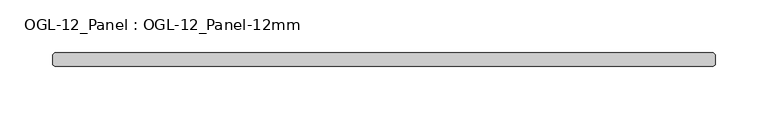
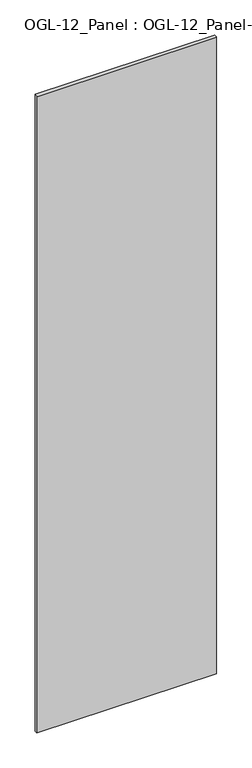
"""IFC4 building model written with IfcOpenShell, lengths in millimetres: plate geometry, OGL-12_Panel : OGL-12_Panel-12mm."""

from ifc_helpers import new_model, si_unit, origin, origin_with_axes, place, context, project, spatial, polyline, outline, extrude, source, transform, mapped, element, save


def ogl_12_panel_ogl_12_panel_12mm_ea35a2fe(model_context):
    return source(origin(), model_context, "Body", "SweptSolid", [
        extrude(outline(polyline([(311.6360521, -29.1703125), (-311.6360521, -29.1703125), (-313.2235521, -27.5828125), (-313.2235521, -18.0578125), (-311.6360521, -16.4703125), (311.6360521, -16.4703125), (313.2235521, -18.0578125), (313.2235521, -27.5828125), (311.6360521, -29.1703125)])), origin_with_axes(), (0.0, 0.0, 1.0), 2339.9738578),
    ])


if __name__ == "__main__":
    model = new_model("IFC4")
    model_context = context("Model", 3, world=origin())
    ifc_project = project(units=[si_unit("LENGTHUNIT", "METRE", prefix="MILLI")], contexts=[model_context])
    site = spatial("IfcSite", under=ifc_project)
    building = spatial("IfcBuilding", under=site)
    placement = place(None, origin())
    ogl_12_panel_ogl_12_panel_12mm_shape = ogl_12_panel_ogl_12_panel_12mm_ea35a2fe(model_context)
    element("IfcPlate", 1, ObjectType="OGL-12_Panel : OGL-12_Panel-12mm", at=placement, inside=building, context=model_context, shape_type="MappedRepresentation", body=[
        mapped(ogl_12_panel_ogl_12_panel_12mm_shape, transform((0.0, 0.0, 0.0), x_axis=(1.0, 0.0, 0.0), y_axis=(0.0, 1.0, 0.0), z_axis=(0.0, 0.0, 1.0))),
    ])
    save(model, "model.ifc")
